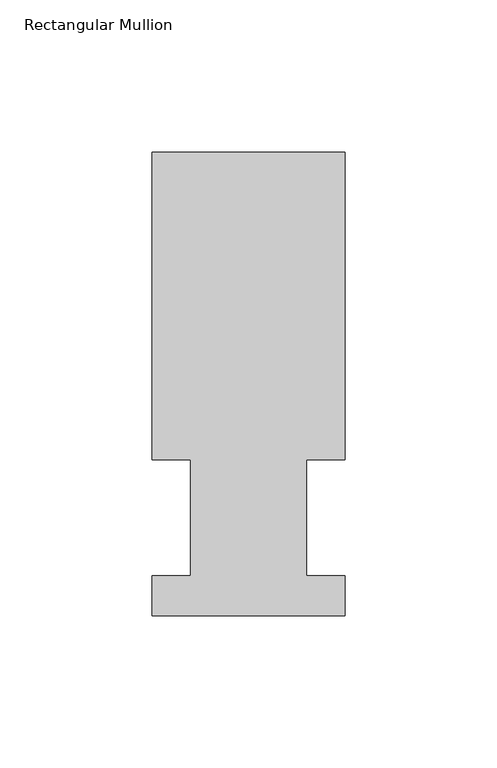
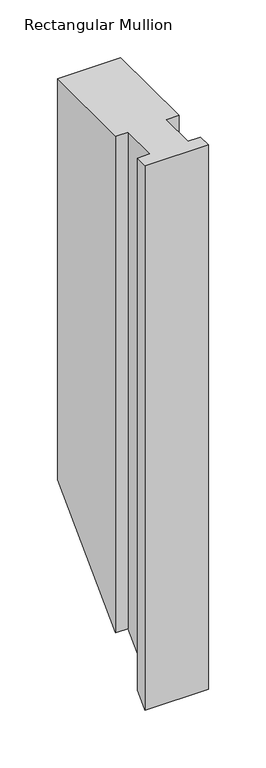
"""IFC4 building model written with IfcOpenShell, lengths in millimetres: member geometry, Rectangular Mullion."""

from ifc_helpers import new_model, si_unit, origin, place, context, project, spatial, faceted_brep, source, transform, mapped, element, save


def rectangular_mullion_83fff121(model_context):
    return source(origin(), model_context, "Body", "Brep", [
        faceted_brep([(-63.5, 152.4896937, 0.0), (-63.5, 51.2960937, 0.0), (-50.8000001, 51.2960937, 0.0), (-50.8000001, 13.1960937, 0.0), (-63.5, 13.1960937, 0.0), (-63.5, 0.0134937, 0.0), (0.0, 0.0134937, 0.0), (0.0, 13.1960937, 0.0), (-12.6873, 13.1960937, 0.0), (-12.6873, 51.2960938, 0.0), (0.0127, 51.2960937, 0.0), (0.0127, 152.4896937, 0.0), (-63.5, 152.4896937, -425.3603063), (-63.5, 51.2960937, -526.5539063), (-50.8000001, 51.2960937, -526.5539063), (-50.8000001, 13.1960937, -564.6539063), (-63.5, 13.1960937, -564.6539063), (-63.5, 0.0134937, -577.8365063), (0.0, 0.0134937, -577.8365063), (0.0, 13.1960937, -564.6539063), (-12.6873, 13.1960937, -564.6539063), (-12.6873, 51.2960938, -526.5539063), (0.0127, 51.2960937, -526.5539063), (0.0127, 152.4896937, -425.3603063)], [[[0, 1, 2, 3, 4, 5, 6, 7, 8, 9, 10, 11]], [[1, 0, 12, 13]], [[2, 1, 13, 14]], [[3, 2, 14, 15]], [[4, 3, 15, 16]], [[5, 4, 16, 17]], [[6, 5, 17, 18]], [[7, 6, 18, 19]], [[8, 7, 19, 20]], [[9, 8, 20, 21]], [[10, 9, 21, 22]], [[11, 10, 22, 23]], [[0, 11, 23, 12]], [[12, 23, 22, 21, 20, 19, 18, 17, 16, 15, 14, 13]]]),
    ])


if __name__ == "__main__":
    model = new_model("IFC4")
    model_context = context("Model", 3, world=origin())
    ifc_project = project(units=[si_unit("LENGTHUNIT", "METRE", prefix="MILLI")], contexts=[model_context])
    site = spatial("IfcSite", under=ifc_project)
    building = spatial("IfcBuilding", under=site)
    placement = place(None, origin())
    rectangular_mullion_shape = rectangular_mullion_83fff121(model_context)
    element("IfcMember", 1, ObjectType="Rectangular Mullion", at=placement, inside=building, context=model_context, shape_type="MappedRepresentation", body=[
        mapped(rectangular_mullion_shape, transform((0.0, 0.0, 0.0), x_axis=(1.0, 0.0, 0.0), y_axis=(0.0, 1.0, 0.0), z_axis=(0.0, 0.0, 1.0))),
    ])
    save(model, "model.ifc")
